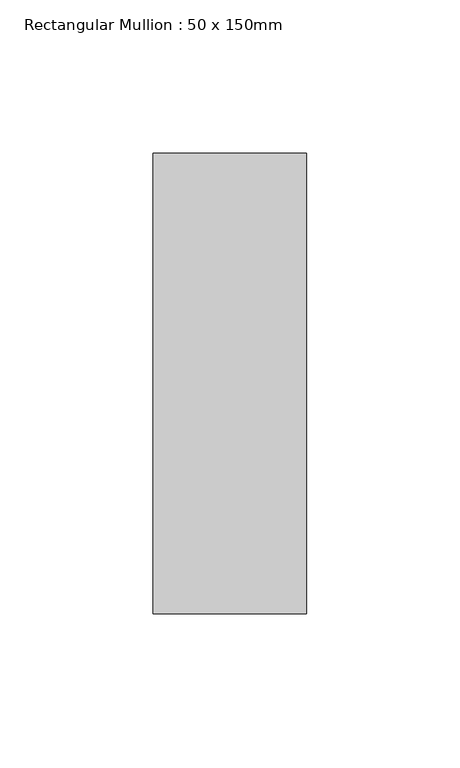
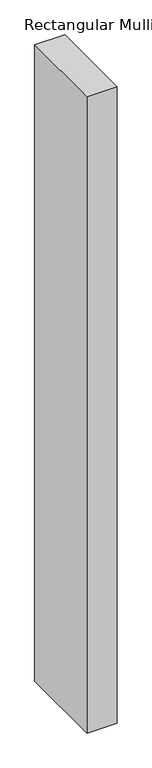
"""IFC4 building model written with IfcOpenShell, lengths in millimetres: member geometry, Rectangular Mullion : 50 x 150mm."""

from ifc_helpers import new_model, si_unit, frame, origin, place, context, project, spatial, polyline, outline, extrude, source, transform, mapped, element, save


def rectangular_mullion_50_x_150mm_b19d0148(model_context):
    return source(origin(), model_context, "Body", "SweptSolid", [
        extrude(outline(polyline([(25.0, 75.0), (25.0, -75.0), (-25.0, -75.0), (-25.0, 75.0), (25.0, 75.0)])), frame((0.0, 0.0, -1115.8204853), z_axis=(0.0, 0.0, 1.0), x_axis=(1.0, 0.0, 0.0)), (0.0, 0.0, 1.0), 1115.8204853),
    ])


if __name__ == "__main__":
    model = new_model("IFC4")
    model_context = context("Model", 3, world=origin())
    ifc_project = project(units=[si_unit("LENGTHUNIT", "METRE", prefix="MILLI")], contexts=[model_context])
    site = spatial("IfcSite", under=ifc_project)
    building = spatial("IfcBuilding", under=site)
    placement = place(None, origin())
    rectangular_mullion_50_x_150mm_shape = rectangular_mullion_50_x_150mm_b19d0148(model_context)
    element("IfcMember", 1, ObjectType="Rectangular Mullion : 50 x 150mm", at=placement, inside=building, context=model_context, shape_type="MappedRepresentation", body=[
        mapped(rectangular_mullion_50_x_150mm_shape, transform((0.0, 0.0, 0.0), x_axis=(1.0, 0.0, 0.0), y_axis=(0.0, 1.0, 0.0), z_axis=(0.0, 0.0, 1.0))),
    ])
    save(model, "model.ifc")
